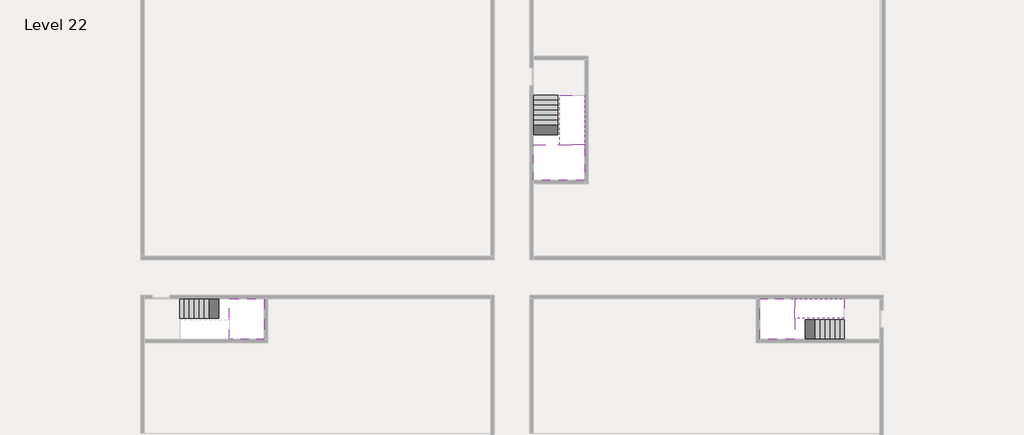
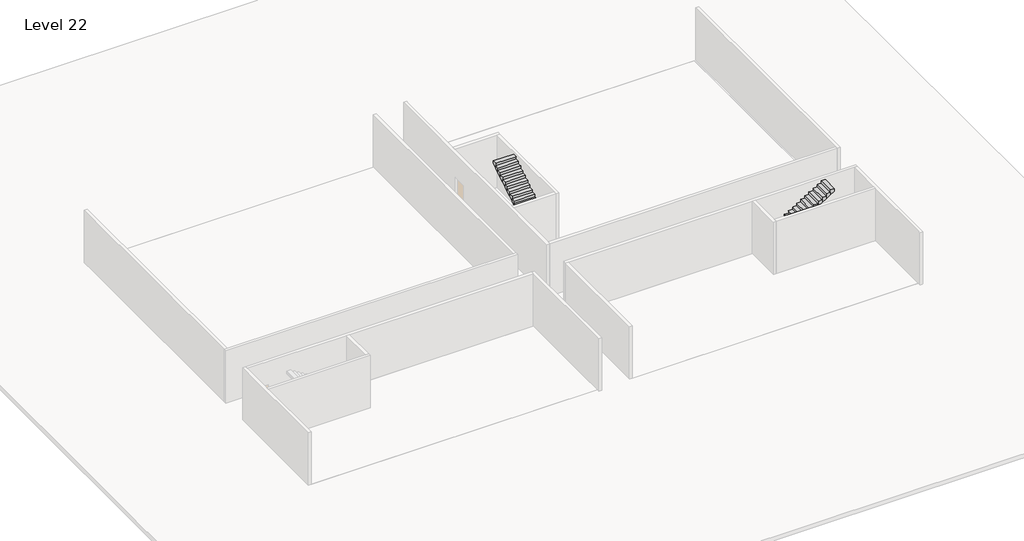
# One storey, part 2 of 2: 5 stair flights, 3 slabs.
"""IFC4 building model written with IfcOpenShell, lengths in millimetres."""

from ifc_helpers import new_model, si_unit, origin, place, context, project, spatial, faceted_brep, element, save

model = new_model("IFC4")

# Units and contexts
model_context = context("Model", 3, world=origin())
ifc_project = project(units=[si_unit("LENGTHUNIT", "METRE", prefix="MILLI")], contexts=[model_context])

# Site, building, storey
site = spatial("IfcSite", under=ifc_project)
building = spatial("IfcBuilding", under=site)
storey = spatial("IfcBuildingStorey", under=building, Name="Level 22", Elevation=79800.0)

# Slabs
placement = place(None, origin())
element("IfcSlab", 1, at=placement, inside=storey, context=model_context, shape_type="Brep", body=[
    faceted_brep([(8190.1058784, -42918.09644, 81700.0), (8190.1058784, -44018.09644, 81700.0), (8190.1058784, -44118.09644, 81700.0), (8190.1058784, -45218.09644, 81700.0), (8390.7194421, -45218.09644, 81700.0), (10190.1058784, -45218.09644, 81700.0), (10190.1058784, -42918.09644, 81700.0), (8269.4923146, -42918.09644, 81700.0), (8190.1058784, -42918.09644, 81527.2727273), (8190.1058784, -42918.09644, 81351.0278478), (8190.1058784, -44018.09644, 81351.0278478), (8190.1058784, -44018.09644, 81400.0), (8190.1058784, -44118.09644, 81400.0), (8190.1058784, -44118.09644, 81523.7551205), (8190.1058784, -45218.09644, 81523.7551205), (8390.7194421, -45218.09644, 81400.0), (10190.1058784, -45218.09644, 81400.0), (10190.1058784, -42918.09644, 81400.0), (8269.4923146, -42918.09644, 81400.0), (8390.7194421, -44118.09644, 81400.0), (8269.4923146, -44018.09644, 81400.0)], [[[0, 1, 2, 3, 4, 5, 6, 7]], [[1, 0, 8, 9, 10, 11]], [[2, 1, 11, 12, 13]], [[3, 2, 13, 14]], [[3, 14, 15, 16, 5, 4]], [[6, 5, 16, 17]], [[9, 8, 0, 7, 6, 17, 18]], [[19, 12, 11, 20, 18, 17, 16, 15]], [[12, 19, 13]], [[18, 20, 10, 9]], [[20, 11, 10]], [[19, 15, 14, 13]]]),
])
element("IfcSlab", 2, at=placement, inside=storey, context=model_context, shape_type="Brep", body=[
    faceted_brep([(40190.1058784, -45218.09644, 81700.0), (40190.1058784, -44118.09644, 81700.0), (40190.1058784, -44018.09644, 81700.0), (40190.1058784, -42918.09644, 81700.0), (39989.4923146, -42918.09644, 81700.0), (38190.1058784, -42918.09644, 81700.0), (38190.1058784, -45218.09644, 81700.0), (40110.7194421, -45218.09644, 81700.0), (40190.1058784, -45218.09644, 81527.2727273), (40190.1058784, -45218.09644, 81351.0278478), (40190.1058784, -44118.09644, 81351.0278478), (40190.1058784, -44118.09644, 81400.0), (40190.1058784, -44018.09644, 81400.0), (40190.1058784, -44018.09644, 81523.7551205), (40190.1058784, -42918.09644, 81523.7551205), (39989.4923146, -42918.09644, 81400.0), (38190.1058784, -42918.09644, 81400.0), (38190.1058784, -45218.09644, 81400.0), (40110.7194421, -45218.09644, 81400.0), (39989.4923146, -44018.09644, 81400.0), (40110.7194421, -44118.09644, 81400.0)], [[[0, 1, 2, 3, 4, 5, 6, 7]], [[1, 0, 8, 9, 10, 11]], [[2, 1, 11, 12, 13]], [[3, 2, 13, 14]], [[3, 14, 15, 16, 5, 4]], [[6, 5, 16, 17]], [[9, 8, 0, 7, 6, 17, 18]], [[19, 12, 11, 20, 18, 17, 16, 15]], [[12, 19, 13]], [[18, 20, 10, 9]], [[20, 11, 10]], [[19, 15, 14, 13]]]),
])
element("IfcSlab", 3, at=placement, inside=storey, context=model_context, shape_type="Brep", body=[
    faceted_brep([(26790.1058784, -34218.09644, 81700.0), (25390.1058784, -34218.09644, 81700.0), (25390.1058784, -34297.4828763, 81700.0), (25390.1058784, -36218.09644, 81700.0), (28290.1058784, -36218.09644, 81700.0), (28290.1058784, -34418.7100038, 81700.0), (28290.1058784, -34218.09644, 81700.0), (26890.1058784, -34218.09644, 81700.0), (26790.1058784, -34218.09644, 81400.0), (26790.1058784, -34218.09644, 81351.0278478), (25390.1058784, -34218.09644, 81351.0278478), (25390.1058784, -34218.09644, 81527.2727273), (25390.1058784, -34297.4828763, 81400.0), (25390.1058784, -36218.09644, 81400.0), (28290.1058784, -36218.09644, 81400.0), (28290.1058784, -34418.7100038, 81400.0), (28290.1058784, -34218.09644, 81523.7551205), (26890.1058784, -34218.09644, 81523.7551205), (26890.1058784, -34218.09644, 81400.0), (26890.1058784, -34418.7100038, 81400.0), (26790.1058784, -34297.4828763, 81400.0)], [[[0, 1, 2, 3, 4, 5, 6, 7]], [[1, 0, 8, 9, 10, 11]], [[1, 11, 10, 12, 13, 3, 2]], [[4, 3, 13, 14]], [[4, 14, 15, 16, 6, 5]], [[7, 6, 16, 17]], [[0, 7, 17, 18, 8]], [[18, 19, 15, 14, 13, 12, 20, 8]], [[19, 18, 17]], [[20, 12, 10, 9]], [[8, 20, 9]], [[15, 19, 17, 16]]]),
])

# Stair flights
element("IfcStairFlight", 4, at=placement, inside=storey, context=model_context, shape_type="Brep", body=[
    faceted_brep([(5670.1058784, -42918.09644, 79972.7272727), (5390.1058784, -42918.09644, 79972.7272727), (5390.1058784, -44018.09644, 79972.7272727), (5670.1058784, -44018.09644, 79972.7272727), (5670.1058784, -42918.09644, 79800.0), (5390.1058784, -42918.09644, 79800.0), (5390.1058784, -44018.09644, 79800.0), (5670.1058784, -44018.09644, 79800.0), (5950.1058784, -42918.09644, 80145.4545455), (5670.1058784, -42918.09644, 80145.4545455), (5670.1058784, -44018.09644, 80145.4545455), (5950.1058784, -44018.09644, 80145.4545455), (5950.1058784, -42918.09644, 79969.209666), (5675.8081041, -42918.09644, 79800.0), (5675.8081041, -44018.09644, 79800.0), (5950.1058784, -44018.09644, 79969.209666), (6230.1058784, -42918.09644, 80318.1818182), (5950.1058784, -42918.09644, 80318.1818182), (5950.1058784, -44018.09644, 80318.1818182), (6230.1058784, -44018.09644, 80318.1818182), (6230.1058784, -42918.09644, 80141.9369387), (6230.1058784, -44018.09644, 80141.9369387), (6510.1058784, -42918.09644, 80490.9090909), (6230.1058784, -42918.09644, 80490.9090909), (6230.1058784, -44018.09644, 80490.9090909), (6510.1058784, -44018.09644, 80490.9090909), (6510.1058784, -42918.09644, 80314.6642114), (6510.1058784, -44018.09644, 80314.6642114), (6790.1058784, -42918.09644, 80663.6363636), (6510.1058784, -42918.09644, 80663.6363636), (6510.1058784, -44018.09644, 80663.6363636), (6790.1058784, -44018.09644, 80663.6363636), (6790.1058784, -42918.09644, 80487.3914841), (6790.1058784, -44018.09644, 80487.3914841), (7070.1058784, -42918.09644, 80836.3636364), (6790.1058784, -42918.09644, 80836.3636364), (6790.1058784, -44018.09644, 80836.3636364), (7070.1058784, -44018.09644, 80836.3636364), (7070.1058784, -42918.09644, 80660.1187569), (7070.1058784, -44018.09644, 80660.1187569), (7350.1058784, -42918.09644, 81009.0909091), (7070.1058784, -42918.09644, 81009.0909091), (7070.1058784, -44018.09644, 81009.0909091), (7350.1058784, -44018.09644, 81009.0909091), (7350.1058784, -42918.09644, 80832.8460296), (7350.1058784, -44018.09644, 80832.8460296), (7630.1058784, -42918.09644, 81181.8181818), (7350.1058784, -42918.09644, 81181.8181818), (7350.1058784, -44018.09644, 81181.8181818), (7630.1058784, -44018.09644, 81181.8181818), (7630.1058784, -42918.09644, 81005.5733023), (7630.1058784, -44018.09644, 81005.5733023), (7910.1058784, -42918.09644, 81354.5454545), (7630.1058784, -42918.09644, 81354.5454545), (7630.1058784, -44018.09644, 81354.5454545), (7910.1058784, -44018.09644, 81354.5454545), (7910.1058784, -42918.09644, 81178.3005751), (7910.1058784, -44018.09644, 81178.3005751), (8190.1058784, -42918.09644, 81527.2727273), (7910.1058784, -42918.09644, 81527.2727273), (7910.1058784, -44018.09644, 81527.2727273), (8190.1058784, -44018.09644, 81527.2727273), (8190.1058784, -42918.09644, 81351.0278478), (8190.1058784, -44018.09644, 81351.0278478), (8190.1058784, -44018.09644, 81400.0)], [[[0, 1, 2, 3]], [[1, 0, 4, 5]], [[2, 1, 5, 6]], [[3, 2, 6, 7]], [[8, 9, 10, 11]], [[4, 0, 9, 8, 12, 13]], [[0, 3, 10, 9]], [[3, 7, 14, 15, 11, 10]], [[16, 17, 18, 19]], [[17, 16, 20, 12, 8]], [[8, 11, 18, 17]], [[19, 18, 11, 15, 21]], [[22, 23, 24, 25]], [[23, 22, 26, 20, 16]], [[16, 19, 24, 23]], [[25, 24, 19, 21, 27]], [[28, 29, 30, 31]], [[29, 28, 32, 26, 22]], [[22, 25, 30, 29]], [[31, 30, 25, 27, 33]], [[34, 35, 36, 37]], [[35, 34, 38, 32, 28]], [[28, 31, 36, 35]], [[37, 36, 31, 33, 39]], [[40, 41, 42, 43]], [[41, 40, 44, 38, 34]], [[34, 37, 42, 41]], [[43, 42, 37, 39, 45]], [[46, 47, 48, 49]], [[47, 46, 50, 44, 40]], [[40, 43, 48, 47]], [[49, 48, 43, 45, 51]], [[52, 53, 54, 55]], [[53, 52, 56, 50, 46]], [[46, 49, 54, 53]], [[55, 54, 49, 51, 57]], [[58, 59, 60, 61]], [[59, 58, 62, 56, 52]], [[52, 55, 60, 59]], [[61, 60, 55, 57, 63, 64]], [[58, 61, 64, 63, 62]], [[5, 4, 13, 14, 7, 6]], [[14, 13, 12, 20, 26, 32, 38, 44, 50, 56, 62, 63, 57, 51, 45, 39, 33, 27, 21, 15]]]),
])
element("IfcStairFlight", 5, at=placement, inside=storey, context=model_context, shape_type="Brep", body=[
    faceted_brep([(42710.1058784, -45218.09644, 79972.7272727), (42990.1058784, -45218.09644, 79972.7272727), (42990.1058784, -44118.09644, 79972.7272727), (42710.1058784, -44118.09644, 79972.7272727), (42710.1058784, -45218.09644, 79800.0), (42990.1058784, -45218.09644, 79800.0), (42990.1058784, -44118.09644, 79800.0), (42710.1058784, -44118.09644, 79800.0), (42430.1058784, -45218.09644, 80145.4545455), (42710.1058784, -45218.09644, 80145.4545455), (42710.1058784, -44118.09644, 80145.4545455), (42430.1058784, -44118.09644, 80145.4545455), (42430.1058784, -45218.09644, 79969.209666), (42704.4036527, -45218.09644, 79800.0), (42704.4036527, -44118.09644, 79800.0), (42430.1058784, -44118.09644, 79969.209666), (42150.1058784, -45218.09644, 80318.1818182), (42430.1058784, -45218.09644, 80318.1818182), (42430.1058784, -44118.09644, 80318.1818182), (42150.1058784, -44118.09644, 80318.1818182), (42150.1058784, -45218.09644, 80141.9369387), (42150.1058784, -44118.09644, 80141.9369387), (41870.1058784, -45218.09644, 80490.9090909), (42150.1058784, -45218.09644, 80490.9090909), (42150.1058784, -44118.09644, 80490.9090909), (41870.1058784, -44118.09644, 80490.9090909), (41870.1058784, -45218.09644, 80314.6642114), (41870.1058784, -44118.09644, 80314.6642114), (41590.1058784, -45218.09644, 80663.6363636), (41870.1058784, -45218.09644, 80663.6363636), (41870.1058784, -44118.09644, 80663.6363636), (41590.1058784, -44118.09644, 80663.6363636), (41590.1058784, -45218.09644, 80487.3914841), (41590.1058784, -44118.09644, 80487.3914841), (41310.1058784, -45218.09644, 80836.3636364), (41590.1058784, -45218.09644, 80836.3636364), (41590.1058784, -44118.09644, 80836.3636364), (41310.1058784, -44118.09644, 80836.3636364), (41310.1058784, -45218.09644, 80660.1187569), (41310.1058784, -44118.09644, 80660.1187569), (41030.1058784, -45218.09644, 81009.0909091), (41310.1058784, -45218.09644, 81009.0909091), (41310.1058784, -44118.09644, 81009.0909091), (41030.1058784, -44118.09644, 81009.0909091), (41030.1058784, -45218.09644, 80832.8460296), (41030.1058784, -44118.09644, 80832.8460296), (40750.1058784, -45218.09644, 81181.8181818), (41030.1058784, -45218.09644, 81181.8181818), (41030.1058784, -44118.09644, 81181.8181818), (40750.1058784, -44118.09644, 81181.8181818), (40750.1058784, -45218.09644, 81005.5733023), (40750.1058784, -44118.09644, 81005.5733023), (40470.1058784, -45218.09644, 81354.5454545), (40750.1058784, -45218.09644, 81354.5454545), (40750.1058784, -44118.09644, 81354.5454545), (40470.1058784, -44118.09644, 81354.5454545), (40470.1058784, -45218.09644, 81178.3005751), (40470.1058784, -44118.09644, 81178.3005751), (40190.1058784, -45218.09644, 81527.2727273), (40470.1058784, -45218.09644, 81527.2727273), (40470.1058784, -44118.09644, 81527.2727273), (40190.1058784, -44118.09644, 81527.2727273), (40190.1058784, -45218.09644, 81351.0278478), (40190.1058784, -44118.09644, 81351.0278478), (40190.1058784, -44118.09644, 81400.0)], [[[0, 1, 2, 3]], [[1, 0, 4, 5]], [[2, 1, 5, 6]], [[3, 2, 6, 7]], [[8, 9, 10, 11]], [[4, 0, 9, 8, 12, 13]], [[0, 3, 10, 9]], [[3, 7, 14, 15, 11, 10]], [[16, 17, 18, 19]], [[17, 16, 20, 12, 8]], [[8, 11, 18, 17]], [[19, 18, 11, 15, 21]], [[22, 23, 24, 25]], [[23, 22, 26, 20, 16]], [[16, 19, 24, 23]], [[25, 24, 19, 21, 27]], [[28, 29, 30, 31]], [[29, 28, 32, 26, 22]], [[22, 25, 30, 29]], [[31, 30, 25, 27, 33]], [[34, 35, 36, 37]], [[35, 34, 38, 32, 28]], [[28, 31, 36, 35]], [[37, 36, 31, 33, 39]], [[40, 41, 42, 43]], [[41, 40, 44, 38, 34]], [[34, 37, 42, 41]], [[43, 42, 37, 39, 45]], [[46, 47, 48, 49]], [[47, 46, 50, 44, 40]], [[40, 43, 48, 47]], [[49, 48, 43, 45, 51]], [[52, 53, 54, 55]], [[53, 52, 56, 50, 46]], [[46, 49, 54, 53]], [[55, 54, 49, 51, 57]], [[58, 59, 60, 61]], [[59, 58, 62, 56, 52]], [[52, 55, 60, 59]], [[61, 60, 55, 57, 63, 64]], [[58, 61, 64, 63, 62]], [[5, 4, 13, 14, 7, 6]], [[14, 13, 12, 20, 26, 32, 38, 44, 50, 56, 62, 63, 57, 51, 45, 39, 33, 27, 21, 15]]]),
])
element("IfcStairFlight", 6, at=placement, inside=storey, context=model_context, shape_type="Brep", body=[
    faceted_brep([(40470.1058784, -42918.09644, 81872.7272727), (40190.1058784, -42918.09644, 81872.7272727), (40190.1058784, -44018.09644, 81872.7272727), (40470.1058784, -44018.09644, 81872.7272727), (40470.1058784, -42918.09644, 81696.4823932), (40190.1058784, -42918.09644, 81523.7551205), (40190.1058784, -42918.09644, 81700.0), (40190.1058784, -44018.09644, 81523.7551205), (40470.1058784, -44018.09644, 81696.4823932), (40750.1058784, -42918.09644, 82045.4545455), (40470.1058784, -42918.09644, 82045.4545455), (40470.1058784, -44018.09644, 82045.4545455), (40750.1058784, -44018.09644, 82045.4545455), (40750.1058784, -42918.09644, 81869.209666), (40750.1058784, -44018.09644, 81869.209666), (41030.1058784, -42918.09644, 82218.1818182), (40750.1058784, -42918.09644, 82218.1818182), (40750.1058784, -44018.09644, 82218.1818182), (41030.1058784, -44018.09644, 82218.1818182), (41030.1058784, -42918.09644, 82041.9369387), (41030.1058784, -44018.09644, 82041.9369387), (41310.1058784, -42918.09644, 82390.9090909), (41030.1058784, -42918.09644, 82390.9090909), (41030.1058784, -44018.09644, 82390.9090909), (41310.1058784, -44018.09644, 82390.9090909), (41310.1058784, -42918.09644, 82214.6642114), (41310.1058784, -44018.09644, 82214.6642114), (41590.1058784, -42918.09644, 82563.6363636), (41310.1058784, -42918.09644, 82563.6363636), (41310.1058784, -44018.09644, 82563.6363636), (41590.1058784, -44018.09644, 82563.6363636), (41590.1058784, -42918.09644, 82387.3914841), (41590.1058784, -44018.09644, 82387.3914841), (41870.1058784, -42918.09644, 82736.3636364), (41590.1058784, -42918.09644, 82736.3636364), (41590.1058784, -44018.09644, 82736.3636364), (41870.1058784, -44018.09644, 82736.3636364), (41870.1058784, -42918.09644, 82560.1187569), (41870.1058784, -44018.09644, 82560.1187569), (42150.1058784, -42918.09644, 82909.0909091), (41870.1058784, -42918.09644, 82909.0909091), (41870.1058784, -44018.09644, 82909.0909091), (42150.1058784, -44018.09644, 82909.0909091), (42150.1058784, -42918.09644, 82732.8460296), (42150.1058784, -44018.09644, 82732.8460296), (42430.1058784, -42918.09644, 83081.8181818), (42150.1058784, -42918.09644, 83081.8181818), (42150.1058784, -44018.09644, 83081.8181818), (42430.1058784, -44018.09644, 83081.8181818), (42430.1058784, -42918.09644, 82905.5733023), (42430.1058784, -44018.09644, 82905.5733023), (42710.1058784, -42918.09644, 83254.5454545), (42430.1058784, -42918.09644, 83254.5454545), (42430.1058784, -44018.09644, 83254.5454545), (42710.1058784, -44018.09644, 83254.5454545), (42710.1058784, -42918.09644, 83078.3005751), (42710.1058784, -44018.09644, 83078.3005751), (42990.1058784, -42918.09644, 83427.2727273), (42710.1058784, -42918.09644, 83427.2727273), (42710.1058784, -44018.09644, 83427.2727273), (42990.1058784, -44018.09644, 83427.2727273), (42990.1058784, -42918.09644, 83251.0278478), (42990.1058784, -44018.09644, 83251.0278478)], [[[0, 1, 2, 3]], [[1, 0, 4, 5, 6]], [[2, 1, 6, 5, 7]], [[3, 2, 7, 8]], [[9, 10, 11, 12]], [[10, 9, 13, 4, 0]], [[11, 10, 0, 3]], [[12, 11, 3, 8, 14]], [[15, 16, 17, 18]], [[16, 15, 19, 13, 9]], [[17, 16, 9, 12]], [[18, 17, 12, 14, 20]], [[21, 22, 23, 24]], [[22, 21, 25, 19, 15]], [[23, 22, 15, 18]], [[24, 23, 18, 20, 26]], [[27, 28, 29, 30]], [[28, 27, 31, 25, 21]], [[29, 28, 21, 24]], [[30, 29, 24, 26, 32]], [[33, 34, 35, 36]], [[34, 33, 37, 31, 27]], [[35, 34, 27, 30]], [[36, 35, 30, 32, 38]], [[39, 40, 41, 42]], [[40, 39, 43, 37, 33]], [[41, 40, 33, 36]], [[42, 41, 36, 38, 44]], [[45, 46, 47, 48]], [[46, 45, 49, 43, 39]], [[47, 46, 39, 42]], [[48, 47, 42, 44, 50]], [[51, 52, 53, 54]], [[52, 51, 55, 49, 45]], [[53, 52, 45, 48]], [[54, 53, 48, 50, 56]], [[57, 58, 59, 60]], [[58, 57, 61, 55, 51]], [[59, 58, 51, 54]], [[60, 59, 54, 56, 62]], [[57, 60, 62, 61]], [[5, 4, 13, 19, 25, 31, 37, 43, 49, 55, 61, 62, 56, 50, 44, 38, 32, 26, 20, 14, 8, 7]]]),
])
element("IfcStairFlight", 7, at=placement, inside=storey, context=model_context, shape_type="Brep", body=[
    faceted_brep([(26790.1058784, -31698.09644, 79972.7272727), (26790.1058784, -31418.09644, 79972.7272727), (25390.1058784, -31418.09644, 79972.7272727), (25390.1058784, -31698.09644, 79972.7272727), (26790.1058784, -31698.09644, 79800.0), (26790.1058784, -31418.09644, 79800.0), (25390.1058784, -31418.09644, 79800.0), (25390.1058784, -31698.09644, 79800.0), (26790.1058784, -31978.09644, 80145.4545455), (26790.1058784, -31698.09644, 80145.4545455), (25390.1058784, -31698.09644, 80145.4545455), (25390.1058784, -31978.09644, 80145.4545455), (26790.1058784, -31978.09644, 79969.209666), (26790.1058784, -31703.7986657, 79800.0), (25390.1058784, -31703.7986657, 79800.0), (25390.1058784, -31978.09644, 79969.209666), (26790.1058784, -32258.09644, 80318.1818182), (26790.1058784, -31978.09644, 80318.1818182), (25390.1058784, -31978.09644, 80318.1818182), (25390.1058784, -32258.09644, 80318.1818182), (26790.1058784, -32258.09644, 80141.9369387), (25390.1058784, -32258.09644, 80141.9369387), (26790.1058784, -32538.09644, 80490.9090909), (26790.1058784, -32258.09644, 80490.9090909), (25390.1058784, -32258.09644, 80490.9090909), (25390.1058784, -32538.09644, 80490.9090909), (26790.1058784, -32538.09644, 80314.6642114), (25390.1058784, -32538.09644, 80314.6642114), (26790.1058784, -32818.09644, 80663.6363636), (26790.1058784, -32538.09644, 80663.6363636), (25390.1058784, -32538.09644, 80663.6363636), (25390.1058784, -32818.09644, 80663.6363636), (26790.1058784, -32818.09644, 80487.3914841), (25390.1058784, -32818.09644, 80487.3914841), (26790.1058784, -33098.09644, 80836.3636364), (26790.1058784, -32818.09644, 80836.3636364), (25390.1058784, -32818.09644, 80836.3636364), (25390.1058784, -33098.09644, 80836.3636364), (26790.1058784, -33098.09644, 80660.1187569), (25390.1058784, -33098.09644, 80660.1187569), (26790.1058784, -33378.09644, 81009.0909091), (26790.1058784, -33098.09644, 81009.0909091), (25390.1058784, -33098.09644, 81009.0909091), (25390.1058784, -33378.09644, 81009.0909091), (26790.1058784, -33378.09644, 80832.8460296), (25390.1058784, -33378.09644, 80832.8460296), (26790.1058784, -33658.09644, 81181.8181818), (26790.1058784, -33378.09644, 81181.8181818), (25390.1058784, -33378.09644, 81181.8181818), (25390.1058784, -33658.09644, 81181.8181818), (26790.1058784, -33658.09644, 81005.5733023), (25390.1058784, -33658.09644, 81005.5733023), (26790.1058784, -33938.09644, 81354.5454545), (26790.1058784, -33658.09644, 81354.5454545), (25390.1058784, -33658.09644, 81354.5454545), (25390.1058784, -33938.09644, 81354.5454545), (26790.1058784, -33938.09644, 81178.3005751), (25390.1058784, -33938.09644, 81178.3005751), (26790.1058784, -34218.09644, 81527.2727273), (26790.1058784, -33938.09644, 81527.2727273), (25390.1058784, -33938.09644, 81527.2727273), (25390.1058784, -34218.09644, 81527.2727273), (26790.1058784, -34218.09644, 81400.0), (26790.1058784, -34218.09644, 81351.0278478), (25390.1058784, -34218.09644, 81351.0278478)], [[[0, 1, 2, 3]], [[1, 0, 4, 5]], [[2, 1, 5, 6]], [[3, 2, 6, 7]], [[8, 9, 10, 11]], [[4, 0, 9, 8, 12, 13]], [[0, 3, 10, 9]], [[3, 7, 14, 15, 11, 10]], [[16, 17, 18, 19]], [[17, 16, 20, 12, 8]], [[8, 11, 18, 17]], [[19, 18, 11, 15, 21]], [[22, 23, 24, 25]], [[23, 22, 26, 20, 16]], [[16, 19, 24, 23]], [[25, 24, 19, 21, 27]], [[28, 29, 30, 31]], [[29, 28, 32, 26, 22]], [[22, 25, 30, 29]], [[31, 30, 25, 27, 33]], [[34, 35, 36, 37]], [[35, 34, 38, 32, 28]], [[28, 31, 36, 35]], [[37, 36, 31, 33, 39]], [[40, 41, 42, 43]], [[41, 40, 44, 38, 34]], [[34, 37, 42, 41]], [[43, 42, 37, 39, 45]], [[46, 47, 48, 49]], [[47, 46, 50, 44, 40]], [[40, 43, 48, 47]], [[49, 48, 43, 45, 51]], [[52, 53, 54, 55]], [[53, 52, 56, 50, 46]], [[46, 49, 54, 53]], [[55, 54, 49, 51, 57]], [[58, 59, 60, 61]], [[59, 58, 62, 63, 56, 52]], [[52, 55, 60, 59]], [[61, 60, 55, 57, 64]], [[58, 61, 64, 63, 62]], [[5, 4, 13, 14, 7, 6]], [[14, 13, 12, 20, 26, 32, 38, 44, 50, 56, 63, 64, 57, 51, 45, 39, 33, 27, 21, 15]]]),
])
element("IfcStairFlight", 8, at=placement, inside=storey, context=model_context, shape_type="Brep", body=[
    faceted_brep([(26890.1058784, -33938.09644, 81872.7272727), (26890.1058784, -34218.09644, 81872.7272727), (28290.1058784, -34218.09644, 81872.7272727), (28290.1058784, -33938.09644, 81872.7272727), (26890.1058784, -33938.09644, 81696.4823932), (26890.1058784, -34218.09644, 81523.7551205), (28290.1058784, -34218.09644, 81523.7551205), (28290.1058784, -34218.09644, 81700.0), (28290.1058784, -33938.09644, 81696.4823932), (26890.1058784, -33658.09644, 82045.4545455), (26890.1058784, -33938.09644, 82045.4545455), (28290.1058784, -33938.09644, 82045.4545455), (28290.1058784, -33658.09644, 82045.4545455), (26890.1058784, -33658.09644, 81869.209666), (28290.1058784, -33658.09644, 81869.209666), (26890.1058784, -33378.09644, 82218.1818182), (26890.1058784, -33658.09644, 82218.1818182), (28290.1058784, -33658.09644, 82218.1818182), (28290.1058784, -33378.09644, 82218.1818182), (26890.1058784, -33378.09644, 82041.9369387), (28290.1058784, -33378.09644, 82041.9369387), (26890.1058784, -33098.09644, 82390.9090909), (26890.1058784, -33378.09644, 82390.9090909), (28290.1058784, -33378.09644, 82390.9090909), (28290.1058784, -33098.09644, 82390.9090909), (26890.1058784, -33098.09644, 82214.6642114), (28290.1058784, -33098.09644, 82214.6642114), (26890.1058784, -32818.09644, 82563.6363636), (26890.1058784, -33098.09644, 82563.6363636), (28290.1058784, -33098.09644, 82563.6363636), (28290.1058784, -32818.09644, 82563.6363636), (26890.1058784, -32818.09644, 82387.3914841), (28290.1058784, -32818.09644, 82387.3914841), (26890.1058784, -32538.09644, 82736.3636364), (26890.1058784, -32818.09644, 82736.3636364), (28290.1058784, -32818.09644, 82736.3636364), (28290.1058784, -32538.09644, 82736.3636364), (26890.1058784, -32538.09644, 82560.1187569), (28290.1058784, -32538.09644, 82560.1187569), (26890.1058784, -32258.09644, 82909.0909091), (26890.1058784, -32538.09644, 82909.0909091), (28290.1058784, -32538.09644, 82909.0909091), (28290.1058784, -32258.09644, 82909.0909091), (26890.1058784, -32258.09644, 82732.8460296), (28290.1058784, -32258.09644, 82732.8460296), (26890.1058784, -31978.09644, 83081.8181818), (26890.1058784, -32258.09644, 83081.8181818), (28290.1058784, -32258.09644, 83081.8181818), (28290.1058784, -31978.09644, 83081.8181818), (26890.1058784, -31978.09644, 82905.5733023), (28290.1058784, -31978.09644, 82905.5733023), (26890.1058784, -31698.09644, 83254.5454545), (26890.1058784, -31978.09644, 83254.5454545), (28290.1058784, -31978.09644, 83254.5454545), (28290.1058784, -31698.09644, 83254.5454545), (26890.1058784, -31698.09644, 83078.3005751), (28290.1058784, -31698.09644, 83078.3005751), (26890.1058784, -31418.09644, 83427.2727273), (26890.1058784, -31698.09644, 83427.2727273), (28290.1058784, -31698.09644, 83427.2727273), (28290.1058784, -31418.09644, 83427.2727273), (26890.1058784, -31418.09644, 83251.0278478), (28290.1058784, -31418.09644, 83251.0278478)], [[[0, 1, 2, 3]], [[1, 0, 4, 5]], [[2, 1, 5, 6, 7]], [[3, 2, 7, 6, 8]], [[9, 10, 11, 12]], [[10, 9, 13, 4, 0]], [[11, 10, 0, 3]], [[12, 11, 3, 8, 14]], [[15, 16, 17, 18]], [[16, 15, 19, 13, 9]], [[17, 16, 9, 12]], [[18, 17, 12, 14, 20]], [[21, 22, 23, 24]], [[22, 21, 25, 19, 15]], [[23, 22, 15, 18]], [[24, 23, 18, 20, 26]], [[27, 28, 29, 30]], [[28, 27, 31, 25, 21]], [[29, 28, 21, 24]], [[30, 29, 24, 26, 32]], [[33, 34, 35, 36]], [[34, 33, 37, 31, 27]], [[35, 34, 27, 30]], [[36, 35, 30, 32, 38]], [[39, 40, 41, 42]], [[40, 39, 43, 37, 33]], [[41, 40, 33, 36]], [[42, 41, 36, 38, 44]], [[45, 46, 47, 48]], [[46, 45, 49, 43, 39]], [[47, 46, 39, 42]], [[48, 47, 42, 44, 50]], [[51, 52, 53, 54]], [[52, 51, 55, 49, 45]], [[53, 52, 45, 48]], [[54, 53, 48, 50, 56]], [[57, 58, 59, 60]], [[58, 57, 61, 55, 51]], [[59, 58, 51, 54]], [[60, 59, 54, 56, 62]], [[57, 60, 62, 61]], [[5, 4, 13, 19, 25, 31, 37, 43, 49, 55, 61, 62, 56, 50, 44, 38, 32, 26, 20, 14, 8, 6]]]),
])

save(model, "model.ifc")
